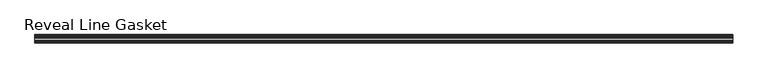
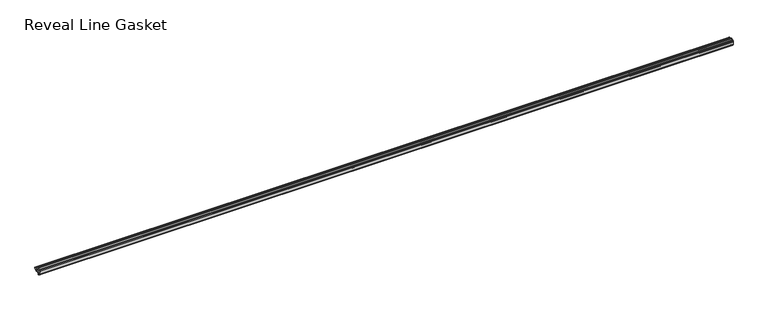
"""IFC4 building model written with IfcOpenShell, lengths in millimetres: furniture geometry, Reveal Line Gasket."""

from ifc_helpers import new_model, si_unit, point, frame, frame_2d, origin, place, context, project, spatial, polyline, circle_curve, trimmed, segment, composite_curve, outline, extrude, source, transform, mapped, element, save


def reveal_line_gasket_65291c30(model_context):
    return source(origin(), model_context, "Body", "SweptSolid", [
        extrude(outline(composite_curve([segment(polyline([(-7.6326998, 1603.2), (-7.4091917, 1604.1554927), (-6.8813059, 1605.0884684)]), True, "CONTINUOUS"), segment(trimmed(circle_curve(frame_2d((-6.5243141, 1604.8864793)), 0.4101739), [point((-6.8813059, 1605.0884684))], [point((-6.1246704, 1604.7941347))], False, "CARTESIAN"), True, "CONTINUOUS"), segment(polyline([(-6.1246704, 1604.7941347), (-6.3626997, 1603.0979086), (-6.3626997, 1601.0654527)]), True, "CONTINUOUS"), segment(trimmed(circle_curve(frame_2d((-5.6959605, 1601.4819258)), 0.786124), [point((-6.3626997, 1601.0654527))], [point((-5.0926996, 1600.977875))], True, "CARTESIAN"), True, "CONTINUOUS"), segment(polyline([(-5.0926996, 1600.977875), (-0.7492996, 1600.977875), (-3.7293824, 1606.1395295)]), True, "CONTINUOUS"), segment(trimmed(circle_curve(frame_2d((-3.3132479, 1606.2049761)), 0.4212495), [point((-3.7293824, 1606.1395295))], [point((-3.0485022, 1606.5326358))], False, "CARTESIAN"), True, "CONTINUOUS"), segment(polyline([(-3.0485022, 1606.5326358), (0.5742594, 1600.977875), (4.8262978, 1600.977875), (3.1660374, 1603.8535297)]), True, "CONTINUOUS"), segment(trimmed(circle_curve(frame_2d((3.5978728, 1603.9118855)), 0.4357605), [point((3.1660374, 1603.8535297))], [point((3.864328, 1604.2566881))], False, "CARTESIAN"), True, "CONTINUOUS"), segment(polyline([(3.864328, 1604.2566881), (6.1944059, 1600.977875), (7.6326998, 1600.977875), (7.6326998, 1599.422125), (6.1944059, 1599.422125), (3.864328, 1596.1433119)]), True, "CONTINUOUS"), segment(trimmed(circle_curve(frame_2d((3.5978728, 1596.4881145)), 0.4357605), [point((3.864328, 1596.1433119))], [point((3.1660374, 1596.5464703))], False, "CARTESIAN"), True, "CONTINUOUS"), segment(polyline([(3.1660374, 1596.5464703), (4.8262978, 1599.422125), (0.5742594, 1599.422125), (-3.0485022, 1593.8673642)]), True, "CONTINUOUS"), segment(trimmed(circle_curve(frame_2d((-3.3132479, 1594.1950239)), 0.4212495), [point((-3.0485022, 1593.8673642))], [point((-3.7293824, 1594.2604705))], False, "CARTESIAN"), True, "CONTINUOUS"), segment(polyline([(-3.7293824, 1594.2604705), (-0.7492996, 1599.422125), (-5.0926996, 1599.422125)]), True, "CONTINUOUS"), segment(trimmed(circle_curve(frame_2d((-5.6959605, 1598.9180742)), 0.786124), [point((-5.0926996, 1599.422125))], [point((-6.3626997, 1599.3345473))], True, "CARTESIAN"), True, "CONTINUOUS"), segment(polyline([(-6.3626997, 1599.3345473), (-6.3626997, 1597.3020914), (-6.1246704, 1595.6058653)]), True, "CONTINUOUS"), segment(trimmed(circle_curve(frame_2d((-6.5243141, 1595.5135207)), 0.4101739), [point((-6.1246704, 1595.6058653))], [point((-6.8813059, 1595.3115316))], False, "CARTESIAN"), True, "CONTINUOUS"), segment(polyline([(-6.8813059, 1595.3115316), (-7.4091917, 1596.2445073), (-7.6326998, 1597.2), (-7.6326998, 1603.2)]), True, "CONTINUOUS")], self_intersect=False)), frame((-639.4749999, 0.0, 0.0), z_axis=(1.0, 0.0, 0.0), x_axis=(0.0, 1.0, 0.0)), (0.0, 0.0, 1.0), 1278.9499999),
    ])


if __name__ == "__main__":
    model = new_model("IFC4")
    model_context = context("Model", 3, world=origin())
    ifc_project = project(units=[si_unit("LENGTHUNIT", "METRE", prefix="MILLI")], contexts=[model_context])
    site = spatial("IfcSite", under=ifc_project)
    building = spatial("IfcBuilding", under=site)
    placement = place(None, origin())
    reveal_line_gasket_shape = reveal_line_gasket_65291c30(model_context)
    element("IfcFurniture", 1, ObjectType="Reveal Line Gasket", at=placement, inside=building, context=model_context, shape_type="MappedRepresentation", body=[
        mapped(reveal_line_gasket_shape, transform((0.0, 0.0, 0.0), x_axis=(1.0, 0.0, 0.0), y_axis=(0.0, 1.0, 0.0), z_axis=(0.0, 0.0, 1.0))),
    ])
    save(model, "model.ifc")
